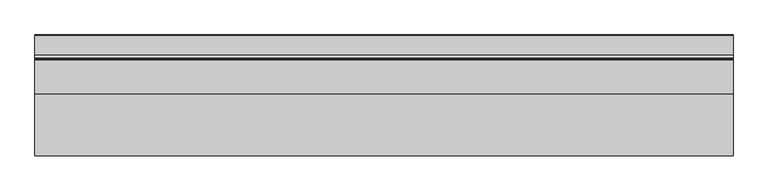
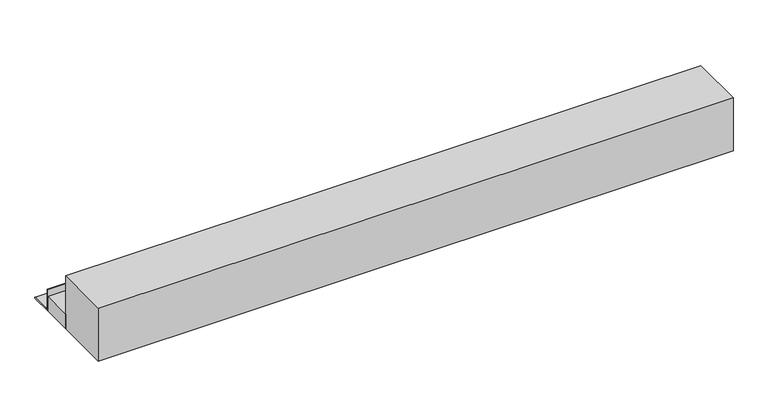
"""IFC4 building model written with IfcOpenShell, lengths in millimetres: beam geometry."""

from ifc_helpers import new_model, si_unit, frame, origin, place, context, project, spatial, polyline, circle_curve, faceted_brep, source, transform, mapped, element, save
from ifc_brep_helpers import plane_surface, cylinder_surface, revolved_surface, advanced_brep


def beam_38b0c978(model_context):
    return source(origin(), model_context, "Body", "SolidModel", [
        advanced_brep(
        [(320.0, 5275.0, 6000.0), (320.0, 5175.0, 6000.0), (320.0, 5175.0, 6068.9909984), (320.0, 5175.0, 6100.0), (320.0, 5177.211754, 6100.0), (320.0, 5180.0, 6097.211754), (320.0, 5180.0, 6018.0410426), (320.0, 5193.0410426, 6005.0), (320.0, 5272.4745866, 6005.0), (320.0, 5275.0, 6002.4745866), (3153.3705641, 5275.0, 6000.0), (3153.3705641, 5275.0, 6002.4745866), (3153.3705641, 5272.4745866, 6005.0), (3153.3705641, 5259.9745866, 6005.0), (3153.3705641, 5193.0410426, 6005.0), (3153.3705641, 5180.0, 6018.0410426), (3153.3705641, 5180.0, 6097.211754), (3153.3705641, 5177.211754, 6100.0), (3153.3705641, 5175.0, 6100.0), (3153.3705641, 5175.0, 6068.9909984), (3153.3705641, 5175.0, 6000.0), (3153.3705641, 5262.5, 6000.0), (1569.185282, 5275.0, 6000.0), (2561.685282, 5275.0, 6000.0)],
        [
            (0, 1),
            (1, 2),
            (2, 3),
            (3, 4),
            (4, 5, circle_curve(frame((320.0, 5177.211754, 6097.211754), z_axis=(-1.0, 0.0, 0.0), x_axis=(0.0, -1.0, 0.0)), 2.788246)),
            (5, 6),
            (6, 7, circle_curve(frame((320.0, 5193.0410426, 6018.0410426), z_axis=(1.0, 0.0, 0.0), x_axis=(0.0, -1.0, 0.0)), 13.0410426)),
            (7, 8),
            (8, 9, circle_curve(frame((320.0, 5272.4745866, 6002.4745866), z_axis=(-1.0, 0.0, 0.0), x_axis=(0.0, -1.0, 0.0)), 2.5254134)),
            (9, 0),
            (10, 11),
            (11, 12, circle_curve(frame((3153.3705641, 5272.4745866, 6002.4745866), z_axis=(1.0, 0.0, 0.0), x_axis=(0.0, -1.0, 0.0)), 2.5254134)),
            (12, 13),
            (13, 14),
            (14, 15, circle_curve(frame((3153.3705641, 5193.0410426, 6018.0410426), z_axis=(-1.0, 0.0, 0.0), x_axis=(0.0, -1.0, 0.0)), 13.0410426)),
            (15, 16),
            (16, 17, circle_curve(frame((3153.3705641, 5177.211754, 6097.211754), z_axis=(1.0, 0.0, 0.0), x_axis=(0.0, -1.0, 0.0)), 2.788246)),
            (17, 18),
            (18, 19),
            (19, 20),
            (20, 21),
            (21, 10),
            (0, 22),
            (22, 23),
            (23, 10),
            (20, 1),
            (18, 3),
            (17, 4),
            (9, 11),
            (16, 5),
            (15, 6),
            (14, 7),
            (12, 8),
        ],
        [
            plane_surface(frame((320.0, 5425.0, 6000.0), z_axis=(-1.0, 0.0, 0.0), x_axis=(0.0, -1.0, 0.0))),
            plane_surface(frame((3153.3705641, 5425.0, 6000.0), z_axis=(1.0, 0.0, 0.0), x_axis=(0.0, 1.0, 0.0))),
            plane_surface(frame((320.0, 5275.0, 6000.0), z_axis=(0.0, 0.0, -1.0), x_axis=(1.0, 0.0, 0.0))),
            plane_surface(frame((320.0, 5175.0, 6000.0), z_axis=(0.0, -1.0, 0.0), x_axis=(1.0, 0.0, 0.0))),
            plane_surface(frame((320.0, 5175.0, 6100.0), z_axis=(0.0, 0.0, 1.0), x_axis=(1.0, 0.0, 0.0))),
            plane_surface(frame((320.0, 5275.0, 6002.4745866), z_axis=(0.0, 1.0, 0.0), x_axis=(1.0, 0.0, 0.0))),
            cylinder_surface(frame((3153.3705641, 5177.211754, 6097.211754), z_axis=(-1.0, 0.0, 0.0), x_axis=(0.0, -1.0, 0.0)), 2.788246),
            plane_surface(frame((320.0, 5180.0, 6097.211754), z_axis=(0.0, 1.0, 0.0), x_axis=(1.0, 0.0, 0.0))),
            revolved_surface(polyline([(3153.3705641, 5180.0, 6018.0410426), (320.0, 5180.0, 6018.0410426)]), (3153.3705641, 5193.0410426, 6018.0410426), (1.0, 0.0, 0.0)),
            plane_surface(frame((320.0, 5193.0410426, 6005.0), z_axis=(0.0, 0.0, 1.0), x_axis=(1.0, 0.0, 0.0))),
            cylinder_surface(frame((3153.3705641, 5272.4745866, 6002.4745866), z_axis=(-1.0, 0.0, 0.0), x_axis=(0.0, -1.0, 0.0)), 2.5254134),
        ],
        [
            (0, [[1, 2, 3, 4, 5, 6, 7, 8, 9, 10]]),
            (1, [[11, 12, 13, 14, 15, 16, 17, 18, 19, 20, 21, 22]]),
            (2, [[-1, 23, 24, 25, -22, -21, 26]]),
            (3, [[-3, -2, -26, -20, -19, 27]]),
            (4, [[-4, -27, -18, 28]]),
            (5, [[-10, 29, -11, -25, -24, -23]]),
            (6, [[-5, -28, -17, 30]]),
            (7, [[-6, -30, -16, 31]]),
            (8, [[-7, -31, -15, 32]]),
            (9, [[-8, -32, -14, -13, 33]]),
            (10, [[-9, -33, -12, -29]]),
        ],
    ),
        faceted_brep([(320.0, 5175.0, 6000.0), (320.0, 5035.0, 6000.0), (320.0, 5035.0, 6068.9909984), (320.0, 5175.0, 6068.9909984), (3153.3705641, 5175.0, 6000.0), (3153.3705641, 5175.0, 6068.9909984), (3153.3705641, 5167.5, 6068.9909984), (3153.3705641, 5035.0, 6068.9909984), (3153.3705641, 5035.0, 6000.0)], [[[0, 1, 2, 3]], [[4, 5, 6, 7, 8]], [[1, 0, 4, 8]], [[2, 1, 8, 7]], [[3, 2, 7, 6, 5]], [[0, 3, 5, 4]]]),
        faceted_brep([(320.0, 5035.0, 6000.0), (320.0, 4785.0, 6000.0), (320.0, 4785.0, 6250.0), (320.0, 5035.0, 6250.0), (320.0, 5035.0, 6068.9909984), (3153.3705641, 5035.0, 6000.0), (3153.3705641, 5035.0, 6068.9909984), (3153.3705641, 5035.0, 6250.0), (3153.3705641, 5022.5, 6250.0), (3153.3705641, 4785.0, 6250.0), (3153.3705641, 4785.0, 6000.0), (2320.0, 4785.0, 6000.0), (1569.185282, 4785.0, 6000.0), (2320.0, 4785.0, 6250.0)], [[[0, 1, 2, 3, 4]], [[5, 6, 7, 8, 9, 10]], [[1, 0, 5, 10, 11, 12]], [[2, 1, 12, 11, 10, 9, 13]], [[3, 2, 13, 9, 8, 7]], [[0, 4, 3, 7, 6, 5]]]),
    ])


if __name__ == "__main__":
    model = new_model("IFC4")
    model_context = context("Model", 3, world=origin())
    ifc_project = project(units=[si_unit("LENGTHUNIT", "METRE", prefix="MILLI")], contexts=[model_context])
    site = spatial("IfcSite", under=ifc_project)
    building = spatial("IfcBuilding", under=site)
    placement = place(None, origin())
    beam_shape = beam_38b0c978(model_context)
    element("IfcBeam", 1, at=placement, inside=building, context=model_context, shape_type="MappedRepresentation", body=[
        mapped(beam_shape, transform((0.0, 0.0, 0.0), x_axis=(1.0, 0.0, 0.0), y_axis=(0.0, 1.0, 0.0), z_axis=(0.0, 0.0, 1.0))),
    ])
    save(model, "model.ifc")
